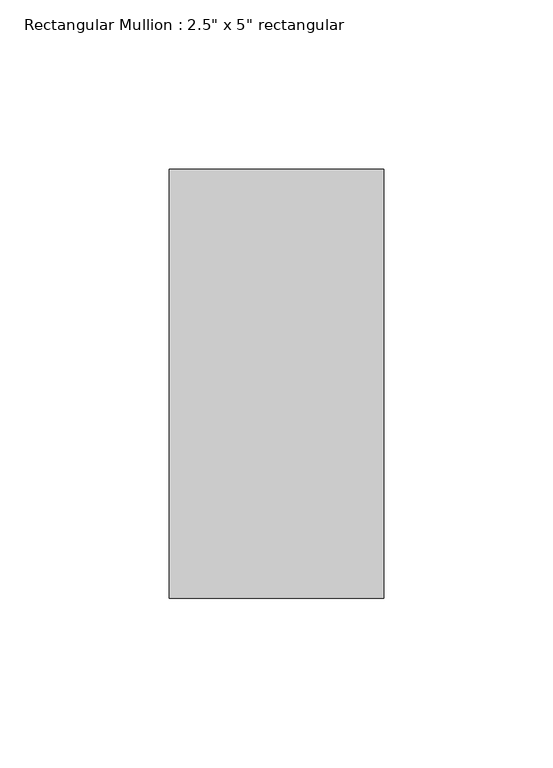
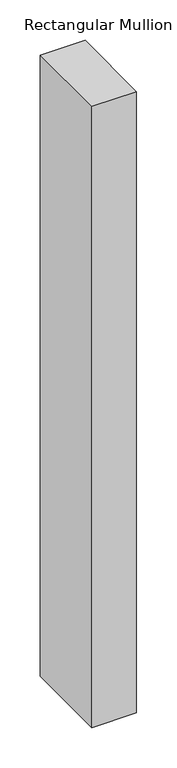
"""IFC4 building model written with IfcOpenShell, lengths in millimetres: member geometry."""

from ifc_helpers import new_model, si_unit, frame, origin, place, context, project, spatial, polyline, outline, extrude, source, transform, mapped, element, save


def member_65134829(model_context):
    return source(origin(), model_context, "Body", "SweptSolid", [
        extrude(outline(polyline([(31.75, 63.5), (31.75, -63.5), (-31.75, -63.5), (-31.75, 63.5), (31.75, 63.5)])), frame((0.0, 0.0, -936.5), z_axis=(0.0, 0.0, 1.0), x_axis=(1.0, 0.0, 0.0)), (0.0, 0.0, 1.0), 936.5),
    ])


if __name__ == "__main__":
    model = new_model("IFC4")
    model_context = context("Model", 3, world=origin())
    ifc_project = project(units=[si_unit("LENGTHUNIT", "METRE", prefix="MILLI")], contexts=[model_context])
    site = spatial("IfcSite", under=ifc_project)
    building = spatial("IfcBuilding", under=site)
    placement = place(None, origin())
    member_shape = member_65134829(model_context)
    element("IfcMember", 1, ObjectType="Rectangular Mullion : 2.5\" x 5\" rectangular", at=placement, inside=building, context=model_context, shape_type="MappedRepresentation", body=[
        mapped(member_shape, transform((0.0, 0.0, 0.0), x_axis=(1.0, 0.0, 0.0), y_axis=(0.0, 1.0, 0.0), z_axis=(0.0, 0.0, 1.0))),
    ])
    save(model, "model.ifc")
